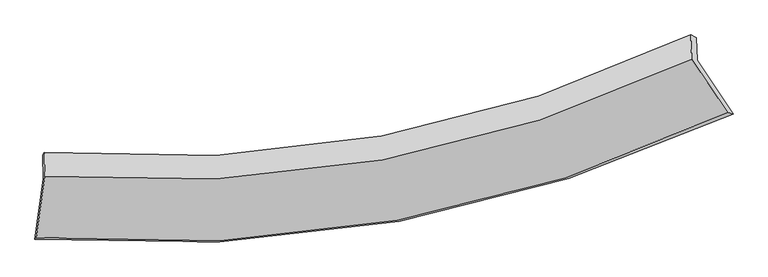
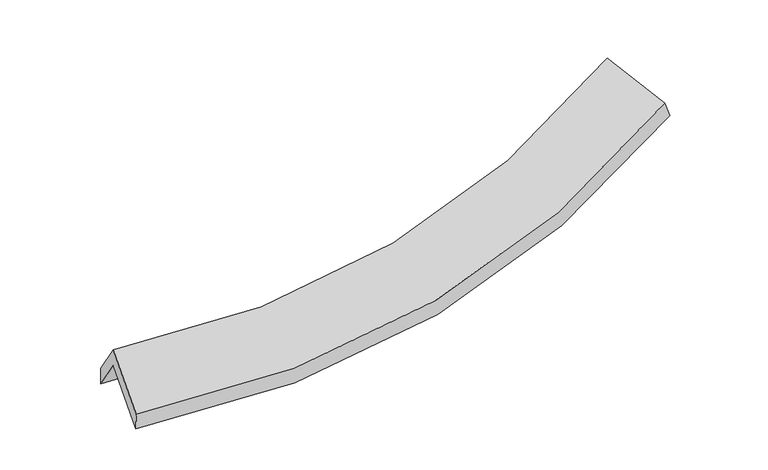
"""IFC4 building model written with IfcOpenShell, lengths in millimetres: proxy geometry."""

from ifc_helpers import new_model, si_unit, frame, origin, place, context, project, spatial, source, transform, mapped, element, save
from ifc_brep_helpers import plane_surface, spline_curve, spline_surface, advanced_brep


def generic_models_dd32837f(model_context):
    return source(origin(), model_context, "Body", "AdvancedBrep", [
        advanced_brep(
        [(-3130.6793938, -2520.4474113, 1553.0360336), (-3053.9383596, -1968.8287016, 1907.3615612), (2890.3176399, -888.9695519, 2489.7466023), (3217.5910793, -1377.1794006, 2168.9095162), (-3060.1035191, -1751.8531404, 1570.9063833), (2884.4547757, -682.6329175, 2169.7887756), (-3046.1950785, -1728.8391196, 1725.8390566), (2833.5308079, -656.6326034, 2302.0735246), (-3040.0544248, -1944.9522256, 2060.9568603), (2839.764313, -876.0135078, 2642.2585702), (-3117.8462658, -2504.1241914, 1701.7795911), (3168.1072734, -1365.8188135, 2320.3729969)],
        [
            (0, 1),
            (1, 2, spline_curve(3, [(-3053.9383596, -1968.8287016, 1907.3615612), (-1988.503206889, -2040.051602523, 1832.095945656), (-955.246681184, -1983.252332224, 1844.507787673), (1024.764072312, -1617.69792183, 2042.472290834), (1972.926213332, -1314.544142145, 2224.188795914), (2890.3176399, -888.9695519, 2489.7466023)], [4, 2, 4], [0.0, 10.564373591630725, 20.89505057412867])),
            (2, 3),
            (3, 0, spline_curve(3, [(3217.5910793, -1377.1794006, 2168.9095162), (2238.116949057, -1836.560942219, 1882.687642669), (1225.647299349, -2161.973786676, 1687.794918626), (-888.933149071, -2549.192856932, 1478.324995359), (-1992.553657449, -2604.869349735, 1467.926558337), (-3130.6793938, -2520.4474113, 1553.0360336)], [4, 2, 4], [0.0, 10.330676982497947, 20.89505057412867])),
            (1, 4),
            (4, 5, spline_curve(3, [(-3060.1035191, -1751.8531404, 1570.9063833), (-1994.672936432, -1822.91520308, 1495.391362361), (-961.392912242, -1766.942932642, 1509.085599575), (1018.719834249, -1404.978052216, 1712.616240947), (1966.95924179, -1104.543581391, 1898.549467778), (2884.4547757, -682.6329175, 2169.7887756)], [4, 2, 4], [0.0, 10.18368833440843, 20.142101273965082])),
            (5, 2),
            (4, 6),
            (6, 7, spline_curve(3, [(-3046.1950785, -1728.8391196, 1725.8390566), (-1989.8203369, -1812.398622756, 1654.995019962), (-966.541819146, -1762.350729717, 1669.068848438), (991.918748911, -1399.102826459, 1864.862420227), (1928.548860049, -1091.748547515, 2042.866747606), (2833.5308079, -656.6326034, 2302.0735246)], [4, 2, 4], [0.0, 10.13260638232896, 20.04106736382664])),
            (7, 5),
            (6, 8),
            (8, 9, spline_curve(3, [(-3040.0544248, -1944.9522256, 2060.9568603), (-1983.702520888, -2027.707980956, 1988.866484825), (-960.42738286, -1977.541150635, 2002.755881858), (998.06498734, -1615.412475948, 2200.284995775), (1934.729428209, -1309.266400486, 2380.162835407), (2839.764313, -876.0135078, 2642.2585702)], [4, 2, 4], [0.0, 10.081649675851347, 19.94028117430905])),
            (9, 7),
            (8, 10),
            (10, 11, spline_curve(3, [(-3117.8462658, -2504.1241914, 1701.7795911), (-1988.773087153, -2594.723047534, 1623.298767054), (-894.938123521, -2542.523326487, 1637.206220125), (1198.837943337, -2156.840327433, 1847.446290896), (2200.320826433, -1829.604922115, 2039.73663996), (3168.1072734, -1365.8188135, 2320.3729969)], [4, 2, 4], [0.0, 10.464459478733955, 20.697432568296207])),
            (11, 9),
            (10, 0),
            (3, 11),
        ],
        [
            spline_surface(3, 3, [[(-3130.6793938, -2520.4474113, 1553.0360336), (-1992.553657501, -2604.869349628, 1467.926558256), (-888.933149222, -2549.1928571, 1478.324995321), (1225.647299495, -2161.973786512, 1687.794918663), (2238.116948926, -1836.560942137, 1882.6876425), (3217.5910793, -1377.1794006, 2168.9095162)], [(-3105.099049065, -2336.574508086, 1671.144542771), (-1991.203507239, -2416.596767226, 1589.316354051), (-911.037659843, -2360.546015466, 1600.385926077), (1158.686223772, -1980.548498274, 1806.020709386), (2149.720037025, -1662.555342126, 1996.521360327), (3108.49993285, -1214.44278437, 2275.855211563)], [(-3079.518704335, -2152.701604814, 1789.253052029), (-1989.853356982, -2228.324184766, 1710.706149934), (-933.14217052, -2171.89917386, 1722.446856875), (1091.725147994, -1799.123210065, 1924.246500151), (2061.323125074, -1488.549742104, 2110.355078164), (2999.40878635, -1051.70616813, 2382.800906937)], [(-3053.9383596, -1968.8287016, 1907.3615612), (-1988.50320672, -2040.051602364, 1832.09594573), (-955.246681142, -1983.252332226, 1844.507787632), (1024.764072271, -1617.697921828, 2042.472290875), (1972.926213172, -1314.544142094, 2224.188795991), (2890.3176399, -888.9695519, 2489.7466023)]], [4, 4], [4, 2, 4], [0.0, 2.2151336397616284], [0.0, 10.564373591630725, 20.89505057412867]),
            spline_surface(3, 3, [[(-3053.9383596, -1968.8287016, 1907.3615612), (-1988.50320672, -2040.051602364, 1832.09594573), (-955.246681142, -1983.252332226, 1844.507787632), (1024.764072271, -1617.697921828, 2042.472290875), (1972.926213172, -1314.544142094, 2224.188795991), (2890.3176399, -888.9695519, 2489.7466023)], [(-3055.993412771, -1896.503514535, 1795.209835252), (-1990.559783248, -1967.67280255, 1719.861084674), (-957.295424858, -1911.149199062, 1732.700391636), (1022.749326277, -1546.791298623, 1932.52027421), (1970.937222727, -1244.543955223, 2115.642353282), (2888.363351811, -820.190673782, 2383.0939934)], [(-3058.048465929, -1824.178327465, 1683.058109248), (-1992.616359762, -1895.294002733, 1607.626223561), (-959.34416857, -1839.046065853, 1620.89299564), (1020.734580286, -1475.884675375, 1822.568257545), (1968.948232348, -1174.543768306, 2007.095910573), (2886.409063789, -751.411795618, 2276.4413845)], [(-3060.1035191, -1751.8531404, 1570.9063833), (-1994.67293629, -1822.915202919, 1495.391362505), (-961.392912286, -1766.942932688, 1509.085599644), (1018.719834292, -1404.978052171, 1712.61624088), (1966.959241903, -1104.543581436, 1898.549467863), (2884.4547757, -682.6329175, 2169.7887756)]], [4, 4], [4, 2, 4], [0.0, 1.2989830569707363], [0.0, 10.18368833440843, 20.142101273965082]),
            spline_surface(3, 3, [[(-3060.1035191, -1751.8531404, 1570.9063833), (-1994.67293629, -1822.915202919, 1495.391362505), (-961.392912286, -1766.942932688, 1509.085599644), (1018.719834292, -1404.978052171, 1712.61624088), (1966.959241903, -1104.543581436, 1898.549467863), (2884.4547757, -682.6329175, 2169.7887756)], [(-3055.467372217, -1744.18180011, 1622.550607734), (-1993.055403119, -1819.409676164, 1548.592581706), (-963.109214563, -1765.412198336, 1562.41334928), (1009.786139169, -1403.0196436, 1763.364967302), (1954.155781293, -1100.2785701, 1946.655227815), (2867.48011978, -673.966146127, 2213.883691927)], [(-3050.831225383, -1736.51045989, 1674.194832166), (-1991.437869997, -1815.904149478, 1601.793800906), (-964.82551686, -1763.881464026, 1615.741098901), (1000.852444025, -1401.061235071, 1814.113693709), (1941.352320643, -1096.013558785, 1994.760987786), (2850.50546382, -665.299374773, 2257.978608273)], [(-3046.1950785, -1728.8391196, 1725.8390566), (-1989.820336826, -1812.398622723, 1654.995020106), (-966.541819136, -1762.350729674, 1669.068848536), (991.918748901, -1399.1028265, 1864.862420131), (1928.548860033, -1091.74854745, 2042.866747738), (2833.5308079, -656.6326034, 2302.0735246)]], [4, 4], [4, 2, 4], [0.0, 0.5153440049927782], [0.0, 10.13260638232896, 20.04106736382664]),
            spline_surface(3, 3, [[(-3046.1950785, -1728.8391196, 1725.8390566), (-1989.820336826, -1812.398622723, 1654.995020106), (-966.541819136, -1762.350729674, 1669.068848536), (991.918748901, -1399.1028265, 1864.862420131), (1928.548860033, -1091.74854745, 2042.866747738), (2833.5308079, -656.6326034, 2302.0735246)], [(-3044.14819395, -1800.876821612, 1837.544991169), (-1987.78106486, -1884.168408779, 1766.285508299), (-964.503673668, -1834.080869957, 1780.297859639), (993.967494985, -1471.206043, 1976.669945351), (1930.609049443, -1164.254498424, 2155.298776927), (2835.608642937, -729.759571514, 2415.46853981)], [(-3042.10130935, -1872.914523588, 1949.250925731), (-1985.741792843, -1955.938194799, 1877.575996486), (-962.465528168, -1905.811010269, 1891.526870741), (996.0162411, -1543.30925953, 2088.477470569), (1932.669238843, -1236.760449456, 2267.730806087), (2837.686477963, -802.886539686, 2528.86355499)], [(-3040.0544248, -1944.9522256, 2060.9568603), (-1983.702520877, -2027.707980856, 1988.866484679), (-960.4273827, -1977.541150551, 2002.755881844), (998.064987183, -1615.412476029, 2200.284995788), (1934.729428253, -1309.266400431, 2380.162835277), (2839.764313, -876.0135078, 2642.2585702)]], [4, 4], [4, 2, 4], [0.0, 1.3061474491741705], [0.0, 10.081649675851347, 19.94028117430905]),
            spline_surface(3, 3, [[(-3040.0544248, -1944.9522256, 2060.9568603), (-1983.702520877, -2027.707980856, 1988.866484679), (-960.4273827, -1977.541150551, 2002.755881844), (998.064987183, -1615.412476029, 2200.284995788), (1934.729428253, -1309.266400431, 2380.162835277), (2839.764313, -876.0135078, 2642.2585702)], [(-3065.985038468, -2131.342880877, 1941.231103903), (-1985.392709579, -2216.713003047, 1867.010578823), (-938.597629653, -2165.868542573, 1880.905994602), (1064.989305935, -1795.888426458, 2082.672094181), (2023.259894301, -1482.712574348, 2266.687436821), (2949.211966465, -1039.281943037, 2534.9633791)], [(-3091.915652132, -2317.733536123, 1821.505347497), (-1987.082898276, -2405.718025208, 1745.154672957), (-916.767876639, -2354.195934591, 1759.056107328), (1131.913624656, -1976.364376881, 1965.059192542), (2111.790360355, -1656.158748255, 2153.212038365), (3058.659619935, -1202.550378263, 2427.668188)], [(-3117.8462658, -2504.1241914, 1701.7795911), (-1988.773086979, -2594.7230474, 1623.298767101), (-894.938123593, -2542.523326613, 1637.206220086), (1198.837943408, -2156.840327309, 1847.446290934), (2200.320826403, -1829.604922173, 2039.73663991), (3168.1072734, -1365.8188135, 2320.3729969)]], [4, 4], [4, 2, 4], [0.0, 2.207611168397836], [0.0, 10.464459478733955, 20.697432568296207]),
            spline_surface(3, 3, [[(-3117.8462658, -2504.1241914, 1701.7795911), (-1988.773086979, -2594.7230474, 1623.298767101), (-894.938123593, -2542.523326613, 1637.206220086), (1198.837943408, -2156.840327309, 1847.446290934), (2200.320826403, -1829.604922173, 2039.73663991), (3168.1072734, -1365.8188135, 2320.3729969)], [(-3122.123975128, -2509.56526468, 1652.198405272), (-1990.033277147, -2598.105148122, 1571.508030824), (-892.936465494, -2544.746503459, 1584.245811829), (1207.774395412, -2158.551480394, 1794.229166841), (2212.919533901, -1831.923595497, 1987.386974107), (3184.601875357, -1369.60567587, 2269.88517)], [(-3126.401684472, -2515.00633802, 1602.617219428), (-1991.293467332, -2601.487248905, 1519.717294533), (-890.934807321, -2546.969680254, 1531.285403578), (1216.710847491, -2160.262633427, 1741.012042756), (2225.518241428, -1834.242268812, 1935.037308303), (3201.096477343, -1373.39253823, 2219.3973431)], [(-3130.6793938, -2520.4474113, 1553.0360336), (-1992.553657501, -2604.869349628, 1467.926558256), (-888.933149222, -2549.1928571, 1478.324995321), (1225.647299495, -2161.973786512, 1687.794918663), (2238.116948926, -1836.560942137, 1882.6876425), (3217.5910793, -1377.1794006, 2168.9095162)]], [4, 4], [4, 2, 4], [0.0, 0.5255421204410369], [0.0, 10.863392528496943, 21.48647379049349]),
            plane_surface(frame((2972.2943149, -974.5411325, 2348.8583309), z_axis=(0.8722914770421704, 0.4180698687427525, 0.25362406023287), x_axis=(0.4887437913306277, -0.729083096039699, -0.47913186650955597))),
            plane_surface(frame((-3074.8028403, -2069.8407983, 1753.3132477), z_axis=(-0.993099639682932, 0.0894270166265948, 0.07586774254515134), x_axis=(0.08544832929057479, 0.1086868194349299, 0.9903967681200139))),
        ],
        [
            (0, [[1, 2, 3, 4]]),
            (1, [[5, 6, 7, -2]]),
            (2, [[8, 9, 10, -6]]),
            (3, [[11, 12, 13, -9]]),
            (4, [[14, 15, 16, -12]]),
            (5, [[17, -4, 18, -15]]),
            (6, [[-16, -18, -3, -7, -10, -13]]),
            (7, [[-17, -14, -11, -8, -5, -1]]),
        ],
    ),
    ])


if __name__ == "__main__":
    model = new_model("IFC4")
    model_context = context("Model", 3, world=origin())
    ifc_project = project(units=[si_unit("LENGTHUNIT", "METRE", prefix="MILLI")], contexts=[model_context])
    site = spatial("IfcSite", under=ifc_project)
    building = spatial("IfcBuilding", under=site)
    placement = place(None, origin())
    generic_models_shape = generic_models_dd32837f(model_context)
    element("IfcBuildingElementProxy", 1, Name="Generic Models", at=placement, inside=building, context=model_context, shape_type="MappedRepresentation", body=[
        mapped(generic_models_shape, transform((0.0, 0.0, 0.0), x_axis=(1.0, 0.0, 0.0), y_axis=(0.0, 1.0, 0.0), z_axis=(0.0, 0.0, 1.0))),
    ])
    save(model, "model.ifc")
